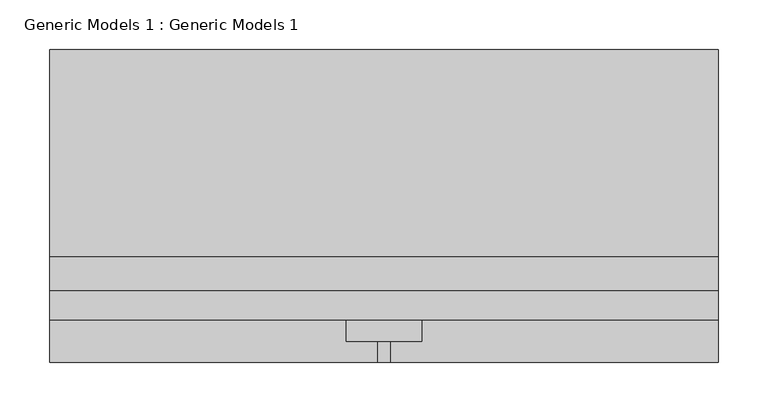
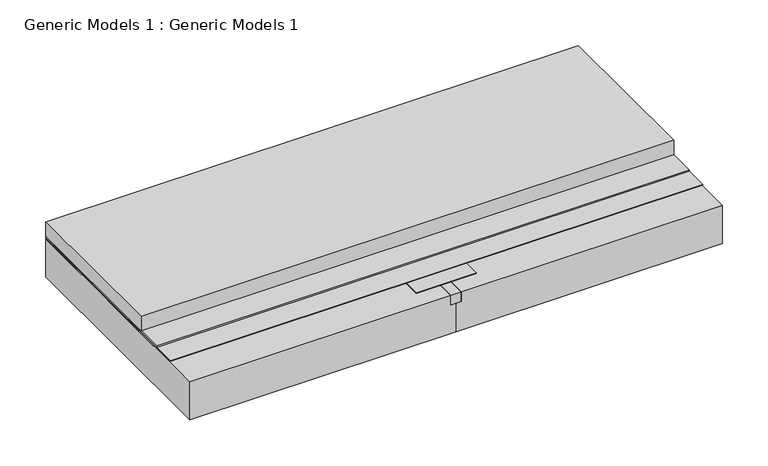
"""IFC4 building model written with IfcOpenShell, lengths in millimetres: proxy geometry, Generic Models 1 : Generic Models 1."""

from ifc_helpers import new_model, si_unit, frame, origin, place, context, project, spatial, polyline, outline, extrude, source, transform, mapped, element, save


def generic_models_1_generic_models_1_80fee6fa(model_context):
    return source(origin(), model_context, "Body", "SweptSolid", [
        extrude(outline(polyline([(88.9, 23.5662204), (12.7, 23.5662204), (12.7, 317.5), (88.9, 317.5), (88.9, 23.5662204)])), frame((0.0, 0.0, 188.9125), z_axis=(0.0, 0.0, 1.0), x_axis=(1.0, 0.0, 0.0)), (0.0, 0.0, 1.0), 0.79375),
        extrude(outline(polyline([(-285.75, 317.5), (387.35, 317.5), (387.35, 108.8033453), (-285.75, 108.8033453), (-285.75, 317.5)])), frame((0.0, 0.0, 192.0875), z_axis=(0.0, 0.0, 1.0), x_axis=(1.0, 0.0, 0.0)), (0.0, 0.0, 1.0), 19.05),
        extrude(outline(polyline([(-285.75, 317.5), (387.35, 317.5), (387.35, 74.8013339), (-285.75, 74.8013339), (-285.75, 317.5)])), frame((0.0, 0.0, 190.5), z_axis=(0.0, 0.0, 1.0), x_axis=(1.0, 0.0, 0.0)), (0.0, 0.0, 1.0), 1.5875),
        extrude(outline(polyline([(44.45, 317.5), (57.15, 317.5), (57.15, 2.38125), (44.45, 2.38125), (44.45, 317.5)])), frame((0.0, 0.0, 175.41875), z_axis=(0.0, 0.0, 1.0), x_axis=(1.0, 0.0, 0.0)), (0.0, 0.0, 1.0), 12.7),
        extrude(outline(polyline([(188.11875, -285.75), (137.31875, -285.75), (137.31875, 50.8), (175.41875, 50.8), (175.41875, 44.45), (188.11875, 44.45), (188.11875, -285.75)])), frame((0.0, 2.38125, 0.0), z_axis=(0.0, 1.0, 0.0), x_axis=(0.0, 0.0, 1.0)), (0.0, 0.0, 1.0), 315.11875),
        extrude(outline(polyline([(387.35, 44.9454179), (-285.75, 44.9454179), (-285.75, 317.5), (387.35, 317.5), (387.35, 44.9454179)])), frame((0.0, 0.0, 189.70625), z_axis=(0.0, 0.0, 1.0), x_axis=(1.0, 0.0, 0.0)), (0.0, 0.0, 1.0), 0.79375),
        extrude(outline(polyline([(188.11875, 387.35), (188.11875, 57.15), (175.41875, 57.15), (175.41875, 50.8), (137.31875, 50.8), (137.31875, 387.35), (188.11875, 387.35)])), frame((0.0, 2.38125, 0.0), z_axis=(0.0, 1.0, 0.0), x_axis=(0.0, 0.0, 1.0)), (0.0, 0.0, 1.0), 315.11875),
    ])


if __name__ == "__main__":
    model = new_model("IFC4")
    model_context = context("Model", 3, world=origin())
    ifc_project = project(units=[si_unit("LENGTHUNIT", "METRE", prefix="MILLI")], contexts=[model_context])
    site = spatial("IfcSite", under=ifc_project)
    building = spatial("IfcBuilding", under=site)
    placement = place(None, origin())
    generic_models_1_generic_models_1_shape = generic_models_1_generic_models_1_80fee6fa(model_context)
    element("IfcBuildingElementProxy", 1, Name="Generic Models 1 : Generic Models 1", ObjectType="Generic Models 1 : Generic Models 1", at=placement, inside=building, context=model_context, shape_type="MappedRepresentation", body=[
        mapped(generic_models_1_generic_models_1_shape, transform((0.0, 0.0, 0.0), x_axis=(1.0, 0.0, 0.0), y_axis=(0.0, 1.0, 0.0), z_axis=(0.0, 0.0, 1.0))),
    ])
    save(model, "model.ifc")
